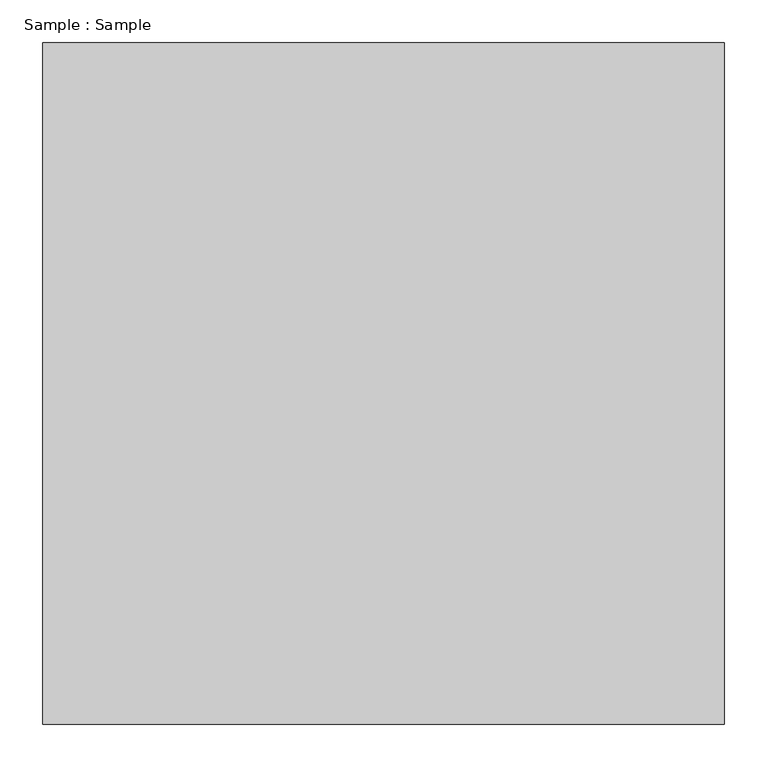
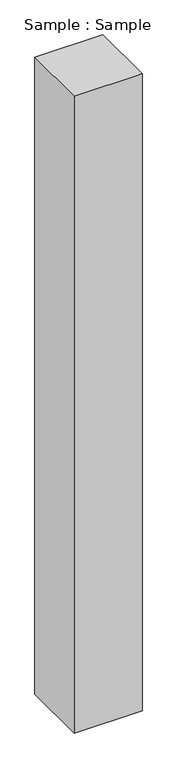
"""IFC4 building model written with IfcOpenShell, lengths in millimetres: proxy geometry, Sample : Sample."""

from ifc_helpers import new_model, si_unit, origin, origin_with_axes, place, context, project, spatial, polyline, outline, extrude, source, transform, mapped, element, save


def sample_sample_f1e41907(model_context):
    return source(origin(), model_context, "Body", "SweptSolid", [
        extrude(outline(polyline([(400.0, 400.0), (400.0, -400.0), (-400.0, -400.0), (-400.0, 400.0), (400.0, 400.0)])), origin_with_axes(), (0.0, 0.0, 1.0), 7931.0344828),
    ])


if __name__ == "__main__":
    model = new_model("IFC4")
    model_context = context("Model", 3, world=origin())
    ifc_project = project(units=[si_unit("LENGTHUNIT", "METRE", prefix="MILLI")], contexts=[model_context])
    site = spatial("IfcSite", under=ifc_project)
    building = spatial("IfcBuilding", under=site)
    placement = place(None, origin())
    sample_sample_shape = sample_sample_f1e41907(model_context)
    element("IfcBuildingElementProxy", 1, Name="Sample : Sample", ObjectType="Sample : Sample", at=placement, inside=building, context=model_context, shape_type="MappedRepresentation", body=[
        mapped(sample_sample_shape, transform((0.0, 0.0, 0.0), x_axis=(1.0, 0.0, 0.0), y_axis=(0.0, 1.0, 0.0), z_axis=(0.0, 0.0, 1.0))),
    ])
    save(model, "model.ifc")
